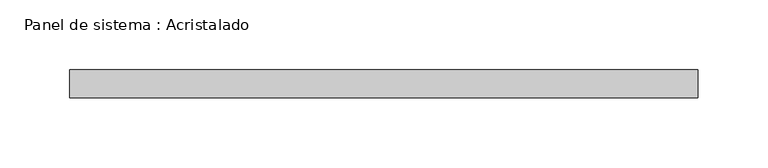
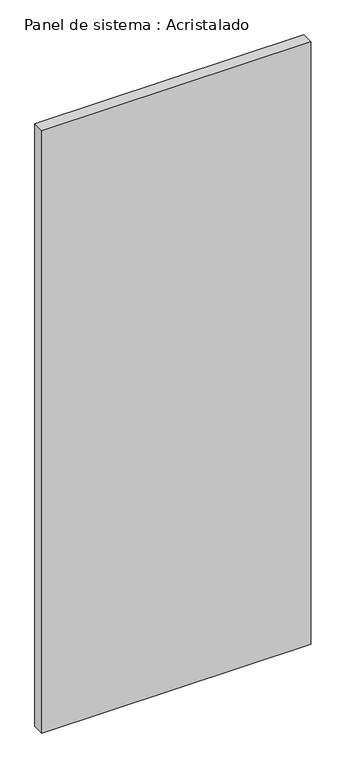
"""IFC4 building model written with IfcOpenShell, lengths in millimetres: plate geometry, Panel de sistema : Acristalado."""

from ifc_helpers import new_model, si_unit, origin, origin_with_axes, place, context, project, spatial, polyline, outline, extrude, source, transform, mapped, element, save


def panel_de_sistema_acristalado_740cb7de(model_context):
    return source(origin(), model_context, "Body", "SweptSolid", [
        extrude(outline(polyline([(225.0, -10.0), (-225.0, -10.0), (-225.0, 10.0), (225.0, 10.0), (225.0, -10.0)])), origin_with_axes(), (0.0, 0.0, 1.0), 1065.0),
    ])


if __name__ == "__main__":
    model = new_model("IFC4")
    model_context = context("Model", 3, world=origin())
    ifc_project = project(units=[si_unit("LENGTHUNIT", "METRE", prefix="MILLI")], contexts=[model_context])
    site = spatial("IfcSite", under=ifc_project)
    building = spatial("IfcBuilding", under=site)
    placement = place(None, origin())
    panel_de_sistema_acristalado_shape = panel_de_sistema_acristalado_740cb7de(model_context)
    element("IfcPlate", 1, ObjectType="Panel de sistema : Acristalado", at=placement, inside=building, context=model_context, shape_type="MappedRepresentation", body=[
        mapped(panel_de_sistema_acristalado_shape, transform((0.0, 0.0, 0.0), x_axis=(1.0, 0.0, 0.0), y_axis=(0.0, 1.0, 0.0), z_axis=(0.0, 0.0, 1.0))),
    ])
    save(model, "model.ifc")
